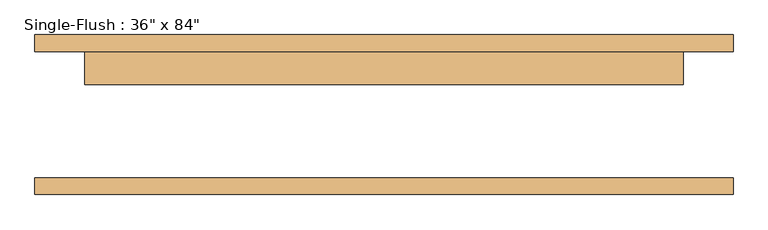
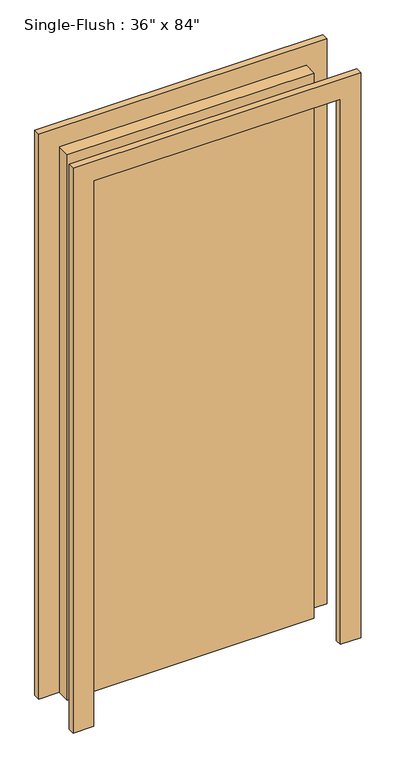
"""IFC4 building model written with IfcOpenShell, lengths in millimetres: door geometry."""

import ifcopenshell
import ifcopenshell.guid

model = None  # the IFC model being written
_history = None  # IfcOwnerHistory: only IFC2X3 demands one
_inside = {}  # id of a spatial element -> (the spatial element, [elements in it])
_under = {}  # id of a project, library or spatial element -> (it, [spatial elements below it])
_declared = {}  # id of a project -> (the project, [libraries it declares])
_typed = {}  # id of a type object -> (the type object, [elements of that type])
_made_of = {}  # id of a material, layer set ... -> (it, [elements and type objects made of it])


def new_model(schema):
    """Start an empty IFC model of exactly this schema.

    Asked for "IFC4X3", IfcOpenShell would pick the latest addendum, in which some entities
    have other attributes; the version numbers below select the first issue.
    IFC2X3 requires an IfcOwnerHistory on every rooted entity: one is made here for all.
    """
    global model, _history
    if schema == "IFC4X3":
        model = ifcopenshell.file(schema_version=(4, 3, 0, 0))
    else:
        model = ifcopenshell.file(schema=schema)
    _inside.clear()
    _under.clear()
    _declared.clear()
    _typed.clear()
    _made_of.clear()
    _history = None
    if model.schema == "IFC2X3":
        org = make("IfcOrganization", Name="unknown")
        user = make(
            "IfcPersonAndOrganization",
            ThePerson=make("IfcPerson", FamilyName="unknown"),
            TheOrganization=org,
        )
        app = make(
            "IfcApplication",
            ApplicationDeveloper=org,
            Version="unknown",
            ApplicationFullName="unknown",
            ApplicationIdentifier="unknown",
        )
        _history = make(
            "IfcOwnerHistory",
            OwningUser=user,
            OwningApplication=app,
            ChangeAction="ADDED",
            CreationDate=0,
        )
    return model


def make(cls, **values):
    """One entity of the class cls with the attributes given. An attribute that is None is left unset."""
    return model.create_entity(
        cls, **{name: value for name, value in values.items() if value is not None}
    )


def rooted(cls, **values):
    """An entity with a GlobalId (a new one), such as an element, a storey or a relation."""
    return make(cls, GlobalId=ifcopenshell.guid.new(), OwnerHistory=_history, **values)


def si_unit(unit_type, name, prefix=None):
    """IfcSIUnit, for example si_unit("LENGTHUNIT", "METRE", prefix="MILLI")."""
    return make("IfcSIUnit", UnitType=unit_type, Prefix=prefix, Name=name)


def assignment(units):
    """IfcUnitAssignment: the units of a project."""
    return None if units is None else make("IfcUnitAssignment", Units=units)


def point(xyz):
    """IfcCartesianPoint."""
    return None if xyz is None else make("IfcCartesianPoint", Coordinates=xyz)


def direction(xyz):
    """IfcDirection."""
    return None if xyz is None else make("IfcDirection", DirectionRatios=xyz)


def frame(location, z_axis=None, x_axis=None):
    """IfcAxis2Placement3D, a coordinate frame: its origin and axes. An axis left out is left unset."""
    return make(
        "IfcAxis2Placement3D",
        Location=point(location),
        Axis=direction(z_axis),
        RefDirection=direction(x_axis),
    )


def origin():
    """The frame at (0, 0, 0) with its axes left unset."""
    return frame((0.0, 0.0, 0.0))


def origin_with_axes():
    """The frame at (0, 0, 0) with the z axis (0, 0, 1) and the x axis (1, 0, 0) written out."""
    return frame((0.0, 0.0, 0.0), z_axis=(0.0, 0.0, 1.0), x_axis=(1.0, 0.0, 0.0))


def place(relative_to, where):
    """IfcLocalPlacement: puts the frame where relative to a parent placement (None: the world)."""
    return make(
        "IfcLocalPlacement", PlacementRelTo=relative_to, RelativePlacement=where
    )


def context(
    kind, dimensions, precision=None, world=None, true_north=None, identifier=None
):
    """IfcGeometricRepresentationContext, for example the 3D "Model" context."""
    return make(
        "IfcGeometricRepresentationContext",
        ContextIdentifier=identifier,
        ContextType=kind,
        CoordinateSpaceDimension=dimensions,
        Precision=precision,
        WorldCoordinateSystem=world,
        TrueNorth=true_north,
    )


def project(units=None, contexts=None):
    """IfcProject with its units and contexts."""
    return rooted(
        "IfcProject",
        Name="project",
        RepresentationContexts=contexts,
        UnitsInContext=assignment(units),
    )


def spatial(cls, under=None, at=None, **own):
    """A site, building, storey or space (cls), placed at a placement, below another one or the project."""
    s = rooted(cls, ObjectPlacement=at, **own)
    if under is not None:
        _under.setdefault(under.id(), (under, []))[1].append(s)
    return s


def polyline(points):
    """IfcPolyline through the points."""
    return make("IfcPolyline", Points=[point(p) for p in points])


def outline(outer, holes=None, kind="AREA"):
    """IfcArbitraryClosedProfileDef: a profile drawn as a closed curve; with holes, ...WithVoids."""
    if holes is None:
        return make("IfcArbitraryClosedProfileDef", ProfileType=kind, OuterCurve=outer)
    return make(
        "IfcArbitraryProfileDefWithVoids",
        ProfileType=kind,
        OuterCurve=outer,
        InnerCurves=holes,
    )


def extrude(swept, where, along, depth):
    """IfcExtrudedAreaSolid: the profile swept, set in the frame where, extruded along a direction by depth."""
    return make(
        "IfcExtrudedAreaSolid",
        SweptArea=swept,
        Position=where,
        ExtrudedDirection=direction(along),
        Depth=depth,
    )


def shape(context_of_items, identifier, shape_type, items):
    """IfcShapeRepresentation: the items that make up one representation, for example the "Body"."""
    return make(
        "IfcShapeRepresentation",
        ContextOfItems=context_of_items,
        RepresentationIdentifier=identifier,
        RepresentationType=shape_type,
        Items=items,
    )


def source(mapping_origin, context_of_items, identifier, shape_type, items):
    """IfcRepresentationMap: a shape defined once, which mapped items show again and again."""
    return make(
        "IfcRepresentationMap",
        MappingOrigin=mapping_origin,
        MappedRepresentation=shape(context_of_items, identifier, shape_type, items),
    )


def transform(
    local_origin,
    x_axis=None,
    y_axis=None,
    z_axis=None,
    scale=None,
    scale2=None,
    scale3=None,
    uniform=True,
):
    """IfcCartesianTransformationOperator3D, or its non-uniform kind. x_axis, y_axis, z_axis: its Axis1, 2, 3."""
    if uniform:
        return make(
            "IfcCartesianTransformationOperator3D",
            Axis1=direction(x_axis),
            Axis2=direction(y_axis),
            LocalOrigin=point(local_origin),
            Scale=scale,
            Axis3=direction(z_axis),
        )
    return make(
        "IfcCartesianTransformationOperator3DnonUniform",
        Axis1=direction(x_axis),
        Axis2=direction(y_axis),
        LocalOrigin=point(local_origin),
        Scale=scale,
        Axis3=direction(z_axis),
        Scale2=scale2,
        Scale3=scale3,
    )


def mapped(mapping_source, mapping_target):
    """IfcMappedItem: shows the shape of a source again, moved by a transform."""
    return make(
        "IfcMappedItem", MappingSource=mapping_source, MappingTarget=mapping_target
    )


def made_of(thing, what):
    """Note that an element or type object is made of a material, layer set ...; save() writes the relation."""
    if what is not None:
        _made_of.setdefault(what.id(), (what, []))[1].append(thing)
    return thing


def element(
    cls,
    number,
    at=None,
    inside=None,
    cuts=None,
    type_object=None,
    material=None,
    context=None,
    identifier="Body",
    shape_type=None,
    held_by="IfcProductDefinitionShape",
    body=None,
    shapes=None,
    **own,
):
    """One element of the class cls, such as IfcWall. Its Tag is "e" and its number.

    at: its placement. inside: the storey or other place that contains it. cuts: it is an
    opening in that element (IfcRelVoidsElement). A single representation is given by context,
    identifier, shape_type and body (its items); several are given by shapes. held_by: the class
    of the entity that holds the representations. save() writes the other relations.
    """
    e = rooted(cls, Tag="e%d" % number, ObjectPlacement=at, **own)
    if body is not None:
        shapes = [shape(context, identifier, shape_type, body)]
    if shapes is not None:
        e.Representation = make(held_by, Representations=shapes)
    if inside is not None:
        _inside.setdefault(inside.id(), (inside, []))[1].append(e)
    if cuts is not None:
        rooted(
            "IfcRelVoidsElement", RelatingBuildingElement=cuts, RelatedOpeningElement=e
        )
    if type_object is not None:
        _typed.setdefault(type_object.id(), (type_object, []))[1].append(e)
    return made_of(e, material)


def aggregate(whole, parts):
    """IfcRelAggregates: a whole, such as a stair, and the parts it consists of."""
    return rooted("IfcRelAggregates", RelatingObject=whole, RelatedObjects=parts)


def save(model, path):
    """Write the relations noted so far, then the file.

    IfcRelAggregates (storeys below a building ...), IfcRelContainedInSpatialStructure (elements
    in a storey), IfcRelDefinesByType, IfcRelAssociatesMaterial and IfcRelDeclares: one each for
    every whole, place, type object, material and project.
    """
    for whole, parts in _under.values():
        aggregate(whole, parts)
    for where, things in _inside.values():
        rooted(
            "IfcRelContainedInSpatialStructure",
            RelatedElements=things,
            RelatingStructure=where,
        )
    for kind, things in _typed.values():
        rooted("IfcRelDefinesByType", RelatedObjects=things, RelatingType=kind)
    for what, things in _made_of.values():
        rooted("IfcRelAssociatesMaterial", RelatedObjects=things, RelatingMaterial=what)
    for by, libraries in _declared.values():
        rooted("IfcRelDeclares", RelatingContext=by, RelatedDefinitions=libraries)
    model.write(path)


def door_d6d25fb4(model_context):
    return source(origin(), model_context, "Body", "SweptSolid", [
        extrude(outline(polyline([(2209.8, -533.4), (0.0, -533.4), (0.0, -457.2), (2133.6, -457.2), (2133.6, 457.2), (0.0, 457.2), (0.0, 533.4), (2209.8, 533.4), (2209.8, -533.4)])), frame((0.0, 96.8375, 0.0), z_axis=(0.0, 1.0, 0.0), x_axis=(0.0, 0.0, 1.0)), (0.0, 0.0, 1.0), 25.4),
        extrude(outline(polyline([(2209.8, 533.4), (2209.8, -533.4), (0.0, -533.4), (0.0, -457.2), (2133.6, -457.2), (2133.6, 457.2), (0.0, 457.2), (0.0, 533.4), (2209.8, 533.4)])), frame((0.0, -122.2375, 0.0), z_axis=(0.0, 1.0, 0.0), x_axis=(0.0, 0.0, 1.0)), (0.0, 0.0, 1.0), 25.4),
        extrude(outline(polyline([(457.2, 46.0375), (-457.2, 46.0375), (-457.2, 96.8375), (457.2, 96.8375), (457.2, 46.0375)])), origin_with_axes(), (0.0, 0.0, 1.0), 2133.6),
    ])


if __name__ == "__main__":
    model = new_model("IFC4")
    model_context = context("Model", 3, world=origin())
    ifc_project = project(units=[si_unit("LENGTHUNIT", "METRE", prefix="MILLI")], contexts=[model_context])
    site = spatial("IfcSite", under=ifc_project)
    building = spatial("IfcBuilding", under=site)
    placement = place(None, origin())
    door_shape = door_d6d25fb4(model_context)
    element("IfcDoor", 1, ObjectType="Single-Flush : 36\" x 84\"", at=placement, inside=building, context=model_context, shape_type="MappedRepresentation", body=[
        mapped(door_shape, transform((0.0, 0.0, 0.0), x_axis=(1.0, 0.0, 0.0), y_axis=(0.0, 1.0, 0.0), z_axis=(0.0, 0.0, 1.0))),
    ])
    save(model, "model.ifc")
